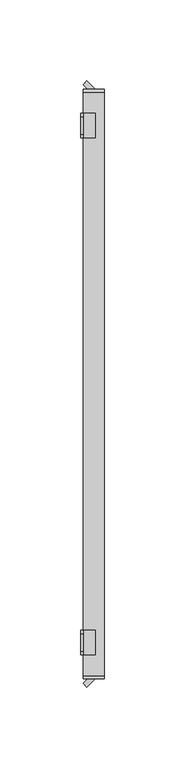
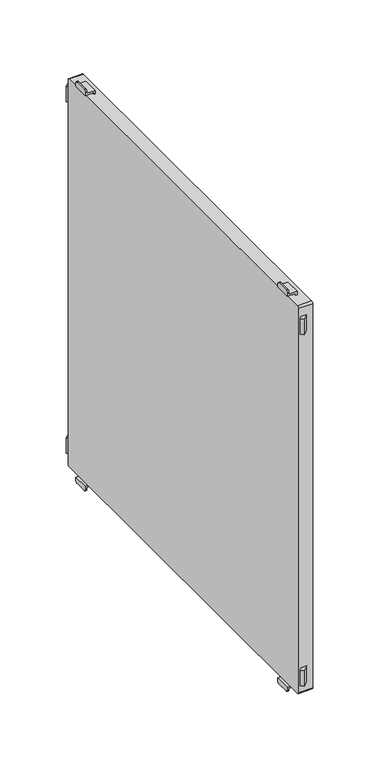
"""IFC4 building model written with IfcOpenShell, lengths in millimetres: furniture geometry."""

from ifc_helpers import new_model, si_unit, point, frame, frame_2d, origin, place, context, project, spatial, polyline, circle_curve, trimmed, segment, composite_curve, outline, extrude, source, transform, mapped, element, save
from ifc_brep_helpers import plane_surface, cylinder_surface, advanced_brep


def furniture_868f6bb5(model_context):
    return source(origin(), model_context, "Body", "SolidModel", [
        advanced_brep(
        [(-397.0, 152.5, 915.5), (-397.0, 154.5, 913.5), (-397.0, 165.5, 913.5), (-397.0, 167.5, 915.5), (-397.0, 167.5, 917.0), (-397.0, 152.5, 917.0), (-398.5, 152.5, 918.5), (-398.5, 167.5, 918.5), (-398.5, 167.5, 915.5), (-398.5, 165.5, 913.5), (-398.5, 154.5, 913.5), (-398.5, 152.5, 915.5), (-389.5011497, 152.5, 917.0), (-389.5011497, 152.5, 920.0), (-391.0011497, 152.5, 920.0), (-391.0011497, 152.5, 918.5), (-391.0011497, 167.5, 918.5), (-391.0011497, 167.5, 920.0), (-389.5011497, 167.5, 920.0), (-389.5011497, 167.5, 917.0)],
        [
            (0, 1, circle_curve(frame((-397.0, 154.5, 915.5), z_axis=(1.0, 0.0, 0.0), x_axis=(0.0, 1.0, 0.0)), 2.0)),
            (1, 2),
            (2, 3, circle_curve(frame((-397.0, 165.5, 915.5), z_axis=(1.0, 0.0, 0.0), x_axis=(0.0, 1.0, 0.0)), 2.0)),
            (3, 4),
            (4, 5),
            (5, 0),
            (6, 7),
            (7, 8),
            (8, 9, circle_curve(frame((-398.5, 165.5, 915.5), z_axis=(-1.0, 0.0, 0.0), x_axis=(0.0, 1.0, 0.0)), 2.0)),
            (9, 10),
            (10, 11, circle_curve(frame((-398.5, 154.5, 915.5), z_axis=(-1.0, 0.0, 0.0), x_axis=(0.0, 1.0, 0.0)), 2.0)),
            (11, 6),
            (11, 0),
            (5, 12),
            (12, 13),
            (13, 14),
            (14, 15),
            (15, 6),
            (10, 1),
            (9, 2),
            (8, 3),
            (7, 16),
            (16, 17),
            (17, 18),
            (18, 19),
            (19, 4),
            (15, 16),
            (12, 19),
            (18, 13),
            (17, 14),
        ],
        [
            plane_surface(frame((-397.0, 152.5, 917.0), z_axis=(1.0, 0.0, 0.0), x_axis=(0.0, 0.0, -1.0))),
            plane_surface(frame((-398.5, 152.5, 917.0), z_axis=(-1.0, 0.0, 0.0), x_axis=(0.0, 0.0, 1.0))),
            plane_surface(frame((-397.0, 152.5, 918.5), z_axis=(0.0, -1.0, 0.0), x_axis=(-1.0, 0.0, 0.0))),
            cylinder_surface(frame((-398.5, 154.5, 915.5), z_axis=(1.0, 0.0, 0.0), x_axis=(0.0, 1.0, 0.0)), 2.0),
            plane_surface(frame((-397.0, 154.5, 913.5), z_axis=(0.0, 0.0, -1.0), x_axis=(-1.0, 0.0, 0.0))),
            cylinder_surface(frame((-398.5, 165.5, 915.5), z_axis=(1.0, 0.0, 0.0), x_axis=(0.0, 1.0, 0.0)), 2.0),
            plane_surface(frame((-397.0, 167.5, 915.5), z_axis=(0.0, 1.0, 0.0), x_axis=(-1.0, 0.0, 0.0))),
            plane_surface(frame((-397.0, 167.5, 918.5), z_axis=(0.0, 0.0, 1.0), x_axis=(-1.0, 0.0, 0.0))),
            plane_surface(frame((-389.5011497, 152.5, 917.0), z_axis=(1.0, 0.0, 0.0), x_axis=(0.0, 1.0, 0.0))),
            plane_surface(frame((-389.5011497, 152.5, 920.0), z_axis=(0.0, 0.0, 1.0), x_axis=(0.0, 1.0, 0.0))),
            plane_surface(frame((-391.0011497, 152.5, 920.0), z_axis=(-1.0, 0.0, 0.0), x_axis=(0.0, 1.0, 0.0))),
            plane_surface(frame((-397.0, 152.5, 917.0), z_axis=(0.0, 0.0, -1.0), x_axis=(0.0, 1.0, 0.0))),
        ],
        [
            (0, [[1, 2, 3, 4, 5, 6]]),
            (1, [[7, 8, 9, 10, 11, 12]]),
            (2, [[-12, 13, -6, 14, 15, 16, 17, 18]]),
            (3, [[-1, -13, -11, 19]]),
            (4, [[-2, -19, -10, 20]]),
            (5, [[-3, -20, -9, 21]]),
            (6, [[-8, 22, 23, 24, 25, 26, -4, -21]]),
            (7, [[-22, -7, -18, 27]]),
            (8, [[-15, 28, -25, 29]]),
            (9, [[-16, -29, -24, 30]]),
            (10, [[-17, -30, -23, -27]]),
            (11, [[-14, -5, -26, -28]]),
        ],
    ),
        advanced_brep(
        [(-397.0, -167.5, 915.5), (-397.0, -165.5, 913.5), (-397.0, -154.5, 913.5), (-397.0, -152.5, 915.5), (-397.0, -152.5, 917.0), (-397.0, -167.5, 917.0), (-398.5, -152.5, 918.5), (-398.5, -152.5, 915.5), (-398.5, -154.5, 913.5), (-398.5, -165.5, 913.5), (-398.5, -167.5, 915.5), (-398.5, -167.5, 918.5), (-391.0011497, -167.5, 918.5), (-391.0011497, -152.5, 918.5), (-389.5011497, -167.5, 917.0), (-389.5011497, -167.5, 920.0), (-391.0011497, -167.5, 920.0), (-391.0011497, -152.5, 920.0), (-389.5011497, -152.5, 920.0), (-389.5011497, -152.5, 917.0)],
        [
            (0, 1, circle_curve(frame((-397.0, -165.5, 915.5), z_axis=(1.0, 0.0, 0.0), x_axis=(0.0, 1.0, 0.0)), 2.0)),
            (1, 2),
            (2, 3, circle_curve(frame((-397.0, -154.5, 915.5), z_axis=(1.0, 0.0, 0.0), x_axis=(0.0, 1.0, 0.0)), 2.0)),
            (3, 4),
            (4, 5),
            (5, 0),
            (6, 7),
            (7, 8, circle_curve(frame((-398.5, -154.5, 915.5), z_axis=(-1.0, 0.0, 0.0), x_axis=(0.0, 1.0, 0.0)), 2.0)),
            (8, 9),
            (9, 10, circle_curve(frame((-398.5, -165.5, 915.5), z_axis=(-1.0, 0.0, 0.0), x_axis=(0.0, 1.0, 0.0)), 2.0)),
            (10, 11),
            (11, 6),
            (11, 12),
            (12, 13),
            (13, 6),
            (10, 0),
            (5, 14),
            (14, 15),
            (15, 16),
            (16, 12),
            (9, 1),
            (8, 2),
            (7, 3),
            (13, 17),
            (17, 18),
            (18, 19),
            (19, 4),
            (18, 15),
            (14, 19),
            (17, 16),
        ],
        [
            plane_surface(frame((-397.0, 152.5, 917.0), z_axis=(1.0, 0.0, 0.0), x_axis=(0.0, 0.0, -1.0))),
            plane_surface(frame((-398.5, 152.5, 917.0), z_axis=(-1.0, 0.0, 0.0), x_axis=(0.0, 0.0, 1.0))),
            plane_surface(frame((-397.0, -152.5, 918.5), z_axis=(0.0, 0.0, 1.0), x_axis=(-1.0, 0.0, 0.0))),
            plane_surface(frame((-397.0, -167.5, 918.5), z_axis=(0.0, -1.0, 0.0), x_axis=(-1.0, 0.0, 0.0))),
            cylinder_surface(frame((-400.0, -165.5, 915.5), z_axis=(1.0, 0.0, 0.0), x_axis=(0.0, 1.0, 0.0)), 2.0),
            plane_surface(frame((-397.0, -165.5, 913.5), z_axis=(0.0, 0.0, -1.0), x_axis=(-1.0, 0.0, 0.0))),
            cylinder_surface(frame((-400.0, -154.5, 915.5), z_axis=(1.0, 0.0, 0.0), x_axis=(0.0, 1.0, 0.0)), 2.0),
            plane_surface(frame((-397.0, -152.5, 915.5), z_axis=(0.0, 1.0, 0.0), x_axis=(-1.0, 0.0, 0.0))),
            plane_surface(frame((-389.5011497, -152.5, 920.0), z_axis=(1.0, 0.0, 0.0), x_axis=(0.0, -1.0, 0.0))),
            plane_surface(frame((-391.0011497, -152.5, 920.0), z_axis=(0.0, 0.0, 1.0), x_axis=(0.0, -1.0, 0.0))),
            plane_surface(frame((-391.0011497, -152.5, 918.5), z_axis=(-1.0, 0.0, 0.0), x_axis=(0.0, -1.0, 0.0))),
            plane_surface(frame((-389.5011497, -152.5, 917.0), z_axis=(0.0, 0.0, -1.0), x_axis=(0.0, -1.0, 0.0))),
        ],
        [
            (0, [[1, 2, 3, 4, 5, 6]]),
            (1, [[7, 8, 9, 10, 11, 12]]),
            (2, [[-12, 13, 14, 15]]),
            (3, [[-11, 16, -6, 17, 18, 19, 20, -13]]),
            (4, [[-1, -16, -10, 21]]),
            (5, [[-2, -21, -9, 22]]),
            (6, [[-3, -22, -8, 23]]),
            (7, [[-7, -15, 24, 25, 26, 27, -4, -23]]),
            (8, [[-26, 28, -18, 29]]),
            (9, [[-25, 30, -19, -28]]),
            (10, [[-24, -14, -20, -30]]),
            (11, [[-27, -29, -17, -5]]),
        ],
    ),
        advanced_brep(
        [(-397.0, 167.5, 1299.5), (-397.0, 165.5, 1301.5), (-397.0, 154.5, 1301.5), (-397.0, 152.5, 1299.5), (-397.0, 152.5, 1298.0), (-397.0, 167.5, 1298.0), (-398.5, 152.5, 1296.5), (-398.5, 152.5, 1299.5), (-398.5, 154.5, 1301.5), (-398.5, 165.5, 1301.5), (-398.5, 167.5, 1299.5), (-398.5, 167.5, 1296.5), (-389.5011497, 152.5, 1298.0), (-391.0011497, 152.5, 1296.5), (-391.0011497, 152.5, 1295.0), (-389.5011497, 152.5, 1295.0), (-389.5011497, 167.5, 1298.0), (-389.5011497, 167.5, 1295.0), (-391.0011497, 167.5, 1295.0), (-391.0011497, 167.5, 1296.5)],
        [
            (0, 1, circle_curve(frame((-397.0, 165.5, 1299.5), z_axis=(1.0, 0.0, 0.0), x_axis=(0.0, 1.0, 0.0)), 2.0)),
            (1, 2),
            (2, 3, circle_curve(frame((-397.0, 154.5, 1299.5), z_axis=(1.0, 0.0, 0.0), x_axis=(0.0, 1.0, 0.0)), 2.0)),
            (3, 4),
            (4, 5),
            (5, 0),
            (6, 7),
            (7, 8, circle_curve(frame((-398.5, 154.5, 1299.5), z_axis=(-1.0, 0.0, 0.0), x_axis=(0.0, 1.0, 0.0)), 2.0)),
            (8, 9),
            (9, 10, circle_curve(frame((-398.5, 165.5, 1299.5), z_axis=(-1.0, 0.0, 0.0), x_axis=(0.0, 1.0, 0.0)), 2.0)),
            (10, 11),
            (11, 6),
            (12, 4),
            (3, 7),
            (6, 13),
            (13, 14),
            (14, 15),
            (15, 12),
            (16, 17),
            (17, 18),
            (18, 19),
            (19, 11),
            (10, 0),
            (5, 16),
            (19, 13),
            (9, 1),
            (8, 2),
            (12, 16),
            (18, 14),
            (17, 15),
        ],
        [
            plane_surface(frame((-397.0, 152.5, 917.0), z_axis=(1.0, 0.0, 0.0), x_axis=(0.0, 0.0, -1.0))),
            plane_surface(frame((-398.5, 152.5, 917.0), z_axis=(-1.0, 0.0, 0.0), x_axis=(0.0, 0.0, 1.0))),
            plane_surface(frame((-397.0, 152.5, 918.5), z_axis=(0.0, -1.0, 0.0), x_axis=(-1.0, 0.0, 0.0))),
            plane_surface(frame((-397.0, 167.5, 915.5), z_axis=(0.0, 1.0, 0.0), x_axis=(-1.0, 0.0, 0.0))),
            plane_surface(frame((-397.0, 152.5, 1296.5), z_axis=(0.0, 0.0, -1.0), x_axis=(-1.0, 0.0, 0.0))),
            cylinder_surface(frame((-400.0, 165.5, 1299.5), z_axis=(1.0, 0.0, 0.0), x_axis=(0.0, 1.0, 0.0)), 2.0),
            plane_surface(frame((-397.0, 165.5, 1301.5), z_axis=(0.0, 0.0, 1.0), x_axis=(-1.0, 0.0, 0.0))),
            cylinder_surface(frame((-400.0, 154.5, 1299.5), z_axis=(1.0, 0.0, 0.0), x_axis=(0.0, 1.0, 0.0)), 2.0),
            plane_surface(frame((-389.5011497, 152.5, 1298.0), z_axis=(0.0, 0.0, 1.0), x_axis=(0.0, 1.0, 0.0))),
            plane_surface(frame((-391.0011497, 152.5, 1296.5), z_axis=(-1.0, 0.0, 0.0), x_axis=(0.0, 1.0, 0.0))),
            plane_surface(frame((-391.0011497, 152.5, 1295.0), z_axis=(0.0, 0.0, -1.0), x_axis=(0.0, 1.0, 0.0))),
            plane_surface(frame((-389.5011497, 152.5, 1295.0), z_axis=(1.0, 0.0, 0.0), x_axis=(0.0, 1.0, 0.0))),
        ],
        [
            (0, [[1, 2, 3, 4, 5, 6]]),
            (1, [[7, 8, 9, 10, 11, 12]]),
            (2, [[13, -4, 14, -7, 15, 16, 17, 18]]),
            (3, [[19, 20, 21, 22, -11, 23, -6, 24]]),
            (4, [[-15, -12, -22, 25]]),
            (5, [[-1, -23, -10, 26]]),
            (6, [[-2, -26, -9, 27]]),
            (7, [[-3, -27, -8, -14]]),
            (8, [[-13, 28, -24, -5]]),
            (9, [[-16, -25, -21, 29]]),
            (10, [[-17, -29, -20, 30]]),
            (11, [[-18, -30, -19, -28]]),
        ],
    ),
        advanced_brep(
        [(-397.0, -152.5, 1299.5), (-397.0, -154.5, 1301.5), (-397.0, -165.5, 1301.5), (-397.0, -167.5, 1299.5), (-397.0, -167.5, 1298.0), (-397.0, -152.5, 1298.0), (-398.5, -152.5, 1296.5), (-398.5, -167.5, 1296.5), (-398.5, -167.5, 1299.5), (-398.5, -165.5, 1301.5), (-398.5, -154.5, 1301.5), (-398.5, -152.5, 1299.5), (-391.0011497, -167.5, 1296.5), (-391.0011497, -167.5, 1295.0), (-389.5011497, -167.5, 1295.0), (-389.5011497, -167.5, 1298.0), (-389.5011497, -152.5, 1298.0), (-389.5011497, -152.5, 1295.0), (-391.0011497, -152.5, 1295.0), (-391.0011497, -152.5, 1296.5)],
        [
            (0, 1, circle_curve(frame((-397.0, -154.5, 1299.5), z_axis=(1.0, 0.0, 0.0), x_axis=(0.0, 1.0, 0.0)), 2.0)),
            (1, 2),
            (2, 3, circle_curve(frame((-397.0, -165.5, 1299.5), z_axis=(1.0, 0.0, 0.0), x_axis=(0.0, 1.0, 0.0)), 2.0)),
            (3, 4),
            (4, 5),
            (5, 0),
            (6, 7),
            (7, 8),
            (8, 9, circle_curve(frame((-398.5, -165.5, 1299.5), z_axis=(-1.0, 0.0, 0.0), x_axis=(0.0, 1.0, 0.0)), 2.0)),
            (9, 10),
            (10, 11, circle_curve(frame((-398.5, -154.5, 1299.5), z_axis=(-1.0, 0.0, 0.0), x_axis=(0.0, 1.0, 0.0)), 2.0)),
            (11, 6),
            (7, 12),
            (12, 13),
            (13, 14),
            (14, 15),
            (15, 4),
            (3, 8),
            (11, 0),
            (5, 16),
            (16, 17),
            (17, 18),
            (18, 19),
            (19, 6),
            (10, 1),
            (9, 2),
            (19, 12),
            (15, 16),
            (18, 13),
            (17, 14),
        ],
        [
            plane_surface(frame((-397.0, 152.5, 917.0), z_axis=(1.0, 0.0, 0.0), x_axis=(0.0, 0.0, -1.0))),
            plane_surface(frame((-398.5, 152.5, 917.0), z_axis=(-1.0, 0.0, 0.0), x_axis=(0.0, 0.0, 1.0))),
            plane_surface(frame((-397.0, -167.5, 918.5), z_axis=(0.0, -1.0, 0.0), x_axis=(-1.0, 0.0, 0.0))),
            plane_surface(frame((-397.0, -152.5, 915.5), z_axis=(0.0, 1.0, 0.0), x_axis=(-1.0, 0.0, 0.0))),
            cylinder_surface(frame((-400.0, -154.5, 1299.5), z_axis=(1.0, 0.0, 0.0), x_axis=(0.0, 1.0, 0.0)), 2.0),
            plane_surface(frame((-397.0, -154.5, 1301.5), z_axis=(0.0, 0.0, 1.0), x_axis=(-1.0, 0.0, 0.0))),
            cylinder_surface(frame((-400.0, -165.5, 1299.5), z_axis=(1.0, 0.0, 0.0), x_axis=(0.0, 1.0, 0.0)), 2.0),
            plane_surface(frame((-397.0, -167.5, 1296.5), z_axis=(0.0, 0.0, -1.0), x_axis=(-1.0, 0.0, 0.0))),
            plane_surface(frame((-397.0, -152.5, 1298.0), z_axis=(0.0, 0.0, 1.0), x_axis=(0.0, -1.0, 0.0))),
            plane_surface(frame((-391.0011497, -152.5, 1295.0), z_axis=(-1.0, 0.0, 0.0), x_axis=(0.0, -1.0, 0.0))),
            plane_surface(frame((-389.5011497, -152.5, 1295.0), z_axis=(0.0, 0.0, -1.0), x_axis=(0.0, -1.0, 0.0))),
            plane_surface(frame((-389.5011497, -152.5, 1298.0), z_axis=(1.0, 0.0, 0.0), x_axis=(0.0, -1.0, 0.0))),
        ],
        [
            (0, [[1, 2, 3, 4, 5, 6]]),
            (1, [[7, 8, 9, 10, 11, 12]]),
            (2, [[-8, 13, 14, 15, 16, 17, -4, 18]]),
            (3, [[-12, 19, -6, 20, 21, 22, 23, 24]]),
            (4, [[-1, -19, -11, 25]]),
            (5, [[-2, -25, -10, 26]]),
            (6, [[-3, -26, -9, -18]]),
            (7, [[-7, -24, 27, -13]]),
            (8, [[-20, -5, -17, 28]]),
            (9, [[-23, 29, -14, -27]]),
            (10, [[-22, 30, -15, -29]]),
            (11, [[-21, -28, -16, -30]]),
        ],
    ),
        extrude(outline(polyline([(-397.0, -185.3223305), (-394.1776695, -182.5), (-389.5011497, -182.5), (-394.6617401, -187.6605904), (-397.0, -185.3223305)])), frame((0.0, 0.0, 930.0), z_axis=(0.0, 0.0, 1.0), x_axis=(1.0, 0.0, 0.0)), (0.0, 0.0, 1.0), 15.0),
        extrude(outline(polyline([(-397.0, 185.3223305), (-394.6617401, 187.6605904), (-389.5011497, 182.5), (-394.1776695, 182.5), (-397.0, 185.3223305)])), frame((0.0, 0.0, 930.0), z_axis=(0.0, 0.0, 1.0), x_axis=(1.0, 0.0, 0.0)), (0.0, 0.0, 1.0), 15.0),
        extrude(outline(composite_curve([segment(polyline([(182.5, 1293.2), (182.5, 921.8)]), True, "CONTINUOUS"), segment(trimmed(circle_curve(frame_2d((180.7, 921.8)), 1.8), [point((182.5, 921.8))], [point((180.7, 920.0))], False, "CARTESIAN"), True, "CONTINUOUS"), segment(polyline([(180.7, 920.0), (-180.7, 920.0)]), True, "CONTINUOUS"), segment(trimmed(circle_curve(frame_2d((-180.7, 921.8)), 1.8), [point((-180.7, 920.0))], [point((-182.5, 921.8))], False, "CARTESIAN"), True, "CONTINUOUS"), segment(polyline([(-182.5, 921.8), (-182.5, 1293.2)]), True, "CONTINUOUS"), segment(trimmed(circle_curve(frame_2d((-180.7, 1293.2)), 1.8), [point((-182.5, 1293.2))], [point((-180.7, 1295.0))], False, "CARTESIAN"), True, "CONTINUOUS"), segment(polyline([(-180.7, 1295.0), (180.7, 1295.0)]), True, "CONTINUOUS"), segment(trimmed(circle_curve(frame_2d((180.7, 1293.2)), 1.8), [point((180.7, 1295.0))], [point((182.5, 1293.2))], False, "CARTESIAN"), True, "CONTINUOUS")], self_intersect=False)), frame((-397.0, 0.0, 0.0), z_axis=(1.0, 0.0, 0.0), x_axis=(0.0, 1.0, 0.0)), (0.0, 0.0, 1.0), 13.000205),
        extrude(outline(polyline([(-397.0, -185.3223305), (-394.1776695, -182.5), (-389.5011497, -182.5), (-394.6617401, -187.6605904), (-397.0, -185.3223305)])), frame((0.0, 0.0, 1270.0), z_axis=(0.0, 0.0, 1.0), x_axis=(1.0, 0.0, 0.0)), (0.0, 0.0, 1.0), 15.0),
        extrude(outline(polyline([(-397.0, 185.3223305), (-394.6617401, 187.6605904), (-389.5011497, 182.5), (-394.1776695, 182.5), (-397.0, 185.3223305)])), frame((0.0, 0.0, 1270.0), z_axis=(0.0, 0.0, 1.0), x_axis=(1.0, 0.0, 0.0)), (0.0, 0.0, 1.0), 15.0),
    ])


if __name__ == "__main__":
    model = new_model("IFC4")
    model_context = context("Model", 3, world=origin())
    ifc_project = project(units=[si_unit("LENGTHUNIT", "METRE", prefix="MILLI")], contexts=[model_context])
    site = spatial("IfcSite", under=ifc_project)
    building = spatial("IfcBuilding", under=site)
    placement = place(None, origin())
    furniture_shape = furniture_868f6bb5(model_context)
    element("IfcFurniture", 1, at=placement, inside=building, context=model_context, shape_type="MappedRepresentation", body=[
        mapped(furniture_shape, transform((0.0, 0.0, 0.0), x_axis=(1.0, 0.0, 0.0), y_axis=(0.0, 1.0, 0.0), z_axis=(0.0, 0.0, 1.0))),
    ])
    save(model, "model.ifc")
